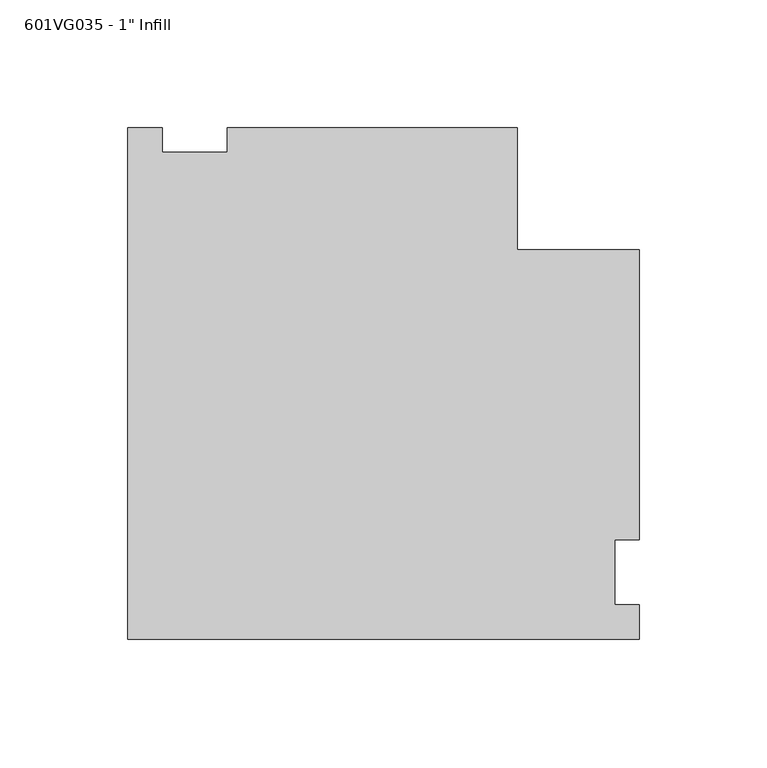
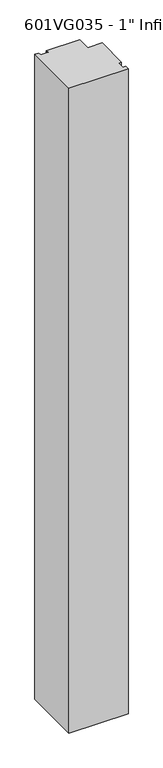
"""IFC4 building model written with IfcOpenShell, lengths in millimetres: proxy geometry."""

from ifc_helpers import new_model, si_unit, frame, origin, place, context, project, spatial, polyline, outline, extrude, source, transform, mapped, element, save


def proxy_167c6cfd(model_context):
    return source(origin(), model_context, "Body", "SweptSolid", [
        extrude(outline(polyline([(-26.19375, 173.98365), (-12.7, 173.98365), (-12.7, 164.45865), (12.7, 164.45865), (12.7, 173.98365), (126.20625, 173.98365), (126.20625, 126.20625), (173.983587, 126.20625), (173.983587, 12.7), (164.458587, 12.7), (164.458587, -12.7), (173.983587, -12.7), (173.983587, -26.19375), (-26.19375, -26.19375), (-26.19375, 173.98365)])), frame((0.0, 0.0, 63.5), z_axis=(0.0, 0.0, 1.0), x_axis=(1.0, 0.0, 0.0)), (0.0, 0.0, 1.0), 2311.4),
    ])


if __name__ == "__main__":
    model = new_model("IFC4")
    model_context = context("Model", 3, world=origin())
    ifc_project = project(units=[si_unit("LENGTHUNIT", "METRE", prefix="MILLI")], contexts=[model_context])
    site = spatial("IfcSite", under=ifc_project)
    building = spatial("IfcBuilding", under=site)
    placement = place(None, origin())
    proxy_shape = proxy_167c6cfd(model_context)
    element("IfcBuildingElementProxy", 1, Name="601VG035 - 1\" Infill", ObjectType="601VG035 - 1\" Infill", at=placement, inside=building, context=model_context, shape_type="MappedRepresentation", body=[
        mapped(proxy_shape, transform((0.0, 0.0, 0.0), x_axis=(1.0, 0.0, 0.0), y_axis=(0.0, 1.0, 0.0), z_axis=(0.0, 0.0, 1.0))),
    ])
    save(model, "model.ifc")
